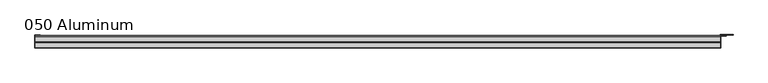
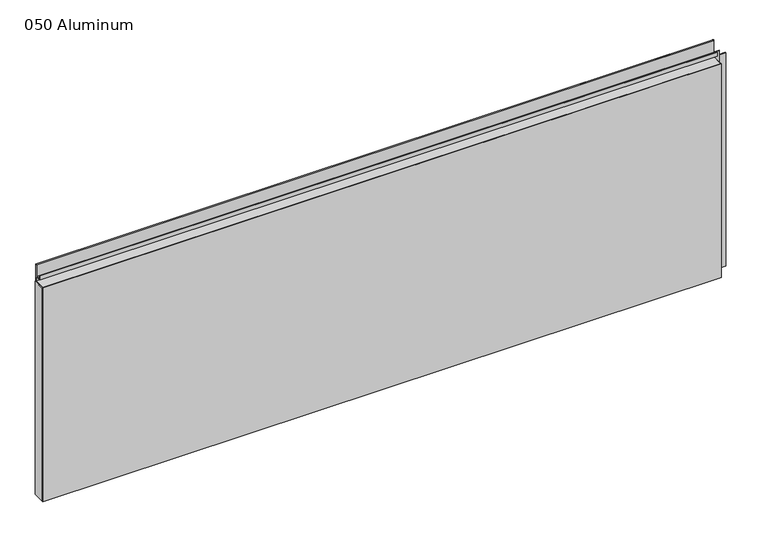
"""IFC4 building model written with IfcOpenShell, lengths in millimetres: plate geometry, 050 Aluminum."""

import ifcopenshell
import ifcopenshell.guid

model = None  # the IFC model being written
_history = None  # IfcOwnerHistory: only IFC2X3 demands one
_inside = {}  # id of a spatial element -> (the spatial element, [elements in it])
_under = {}  # id of a project, library or spatial element -> (it, [spatial elements below it])
_declared = {}  # id of a project -> (the project, [libraries it declares])
_typed = {}  # id of a type object -> (the type object, [elements of that type])
_made_of = {}  # id of a material, layer set ... -> (it, [elements and type objects made of it])


def new_model(schema):
    """Start an empty IFC model of exactly this schema.

    Asked for "IFC4X3", IfcOpenShell would pick the latest addendum, in which some entities
    have other attributes; the version numbers below select the first issue.
    IFC2X3 requires an IfcOwnerHistory on every rooted entity: one is made here for all.
    """
    global model, _history
    if schema == "IFC4X3":
        model = ifcopenshell.file(schema_version=(4, 3, 0, 0))
    else:
        model = ifcopenshell.file(schema=schema)
    _inside.clear()
    _under.clear()
    _declared.clear()
    _typed.clear()
    _made_of.clear()
    _history = None
    if model.schema == "IFC2X3":
        org = make("IfcOrganization", Name="unknown")
        user = make(
            "IfcPersonAndOrganization",
            ThePerson=make("IfcPerson", FamilyName="unknown"),
            TheOrganization=org,
        )
        app = make(
            "IfcApplication",
            ApplicationDeveloper=org,
            Version="unknown",
            ApplicationFullName="unknown",
            ApplicationIdentifier="unknown",
        )
        _history = make(
            "IfcOwnerHistory",
            OwningUser=user,
            OwningApplication=app,
            ChangeAction="ADDED",
            CreationDate=0,
        )
    return model


def make(cls, **values):
    """One entity of the class cls with the attributes given. An attribute that is None is left unset."""
    return model.create_entity(
        cls, **{name: value for name, value in values.items() if value is not None}
    )


def rooted(cls, **values):
    """An entity with a GlobalId (a new one), such as an element, a storey or a relation."""
    return make(cls, GlobalId=ifcopenshell.guid.new(), OwnerHistory=_history, **values)


def si_unit(unit_type, name, prefix=None):
    """IfcSIUnit, for example si_unit("LENGTHUNIT", "METRE", prefix="MILLI")."""
    return make("IfcSIUnit", UnitType=unit_type, Prefix=prefix, Name=name)


def assignment(units):
    """IfcUnitAssignment: the units of a project."""
    return None if units is None else make("IfcUnitAssignment", Units=units)


def point(xyz):
    """IfcCartesianPoint."""
    return None if xyz is None else make("IfcCartesianPoint", Coordinates=xyz)


def direction(xyz):
    """IfcDirection."""
    return None if xyz is None else make("IfcDirection", DirectionRatios=xyz)


def frame(location, z_axis=None, x_axis=None):
    """IfcAxis2Placement3D, a coordinate frame: its origin and axes. An axis left out is left unset."""
    return make(
        "IfcAxis2Placement3D",
        Location=point(location),
        Axis=direction(z_axis),
        RefDirection=direction(x_axis),
    )


def frame_2d(location, x_axis=None):
    """IfcAxis2Placement2D, a coordinate frame in the plane: its origin and x axis."""
    return make(
        "IfcAxis2Placement2D", Location=point(location), RefDirection=direction(x_axis)
    )


def origin():
    """The frame at (0, 0, 0) with its axes left unset."""
    return frame((0.0, 0.0, 0.0))


def origin_with_axes():
    """The frame at (0, 0, 0) with the z axis (0, 0, 1) and the x axis (1, 0, 0) written out."""
    return frame((0.0, 0.0, 0.0), z_axis=(0.0, 0.0, 1.0), x_axis=(1.0, 0.0, 0.0))


def place(relative_to, where):
    """IfcLocalPlacement: puts the frame where relative to a parent placement (None: the world)."""
    return make(
        "IfcLocalPlacement", PlacementRelTo=relative_to, RelativePlacement=where
    )


def context(
    kind, dimensions, precision=None, world=None, true_north=None, identifier=None
):
    """IfcGeometricRepresentationContext, for example the 3D "Model" context."""
    return make(
        "IfcGeometricRepresentationContext",
        ContextIdentifier=identifier,
        ContextType=kind,
        CoordinateSpaceDimension=dimensions,
        Precision=precision,
        WorldCoordinateSystem=world,
        TrueNorth=true_north,
    )


def project(units=None, contexts=None):
    """IfcProject with its units and contexts."""
    return rooted(
        "IfcProject",
        Name="project",
        RepresentationContexts=contexts,
        UnitsInContext=assignment(units),
    )


def spatial(cls, under=None, at=None, **own):
    """A site, building, storey or space (cls), placed at a placement, below another one or the project."""
    s = rooted(cls, ObjectPlacement=at, **own)
    if under is not None:
        _under.setdefault(under.id(), (under, []))[1].append(s)
    return s


def polyline(points):
    """IfcPolyline through the points."""
    return make("IfcPolyline", Points=[point(p) for p in points])


def circle_curve(where, radius):
    """IfcCircle in the frame where."""
    return make("IfcCircle", Position=where, Radius=radius)


def trimmed(basis, trim1, trim2, sense, master):
    """IfcTrimmedCurve: the piece of a basis curve between two trims."""
    return make(
        "IfcTrimmedCurve",
        BasisCurve=basis,
        Trim1=trim1,
        Trim2=trim2,
        SenseAgreement=sense,
        MasterRepresentation=master,
    )


def segment(curve, same_sense, transition):
    """IfcCompositeCurveSegment."""
    return make(
        "IfcCompositeCurveSegment",
        Transition=transition,
        SameSense=same_sense,
        ParentCurve=curve,
    )


def composite_curve(segments, self_intersect=None):
    """IfcCompositeCurve: segments joined end to end."""
    return make("IfcCompositeCurve", Segments=segments, SelfIntersect=self_intersect)


def outline(outer, holes=None, kind="AREA"):
    """IfcArbitraryClosedProfileDef: a profile drawn as a closed curve; with holes, ...WithVoids."""
    if holes is None:
        return make("IfcArbitraryClosedProfileDef", ProfileType=kind, OuterCurve=outer)
    return make(
        "IfcArbitraryProfileDefWithVoids",
        ProfileType=kind,
        OuterCurve=outer,
        InnerCurves=holes,
    )


def extrude(swept, where, along, depth):
    """IfcExtrudedAreaSolid: the profile swept, set in the frame where, extruded along a direction by depth."""
    return make(
        "IfcExtrudedAreaSolid",
        SweptArea=swept,
        Position=where,
        ExtrudedDirection=direction(along),
        Depth=depth,
    )


def shape(context_of_items, identifier, shape_type, items):
    """IfcShapeRepresentation: the items that make up one representation, for example the "Body"."""
    return make(
        "IfcShapeRepresentation",
        ContextOfItems=context_of_items,
        RepresentationIdentifier=identifier,
        RepresentationType=shape_type,
        Items=items,
    )


def source(mapping_origin, context_of_items, identifier, shape_type, items):
    """IfcRepresentationMap: a shape defined once, which mapped items show again and again."""
    return make(
        "IfcRepresentationMap",
        MappingOrigin=mapping_origin,
        MappedRepresentation=shape(context_of_items, identifier, shape_type, items),
    )


def transform(
    local_origin,
    x_axis=None,
    y_axis=None,
    z_axis=None,
    scale=None,
    scale2=None,
    scale3=None,
    uniform=True,
):
    """IfcCartesianTransformationOperator3D, or its non-uniform kind. x_axis, y_axis, z_axis: its Axis1, 2, 3."""
    if uniform:
        return make(
            "IfcCartesianTransformationOperator3D",
            Axis1=direction(x_axis),
            Axis2=direction(y_axis),
            LocalOrigin=point(local_origin),
            Scale=scale,
            Axis3=direction(z_axis),
        )
    return make(
        "IfcCartesianTransformationOperator3DnonUniform",
        Axis1=direction(x_axis),
        Axis2=direction(y_axis),
        LocalOrigin=point(local_origin),
        Scale=scale,
        Axis3=direction(z_axis),
        Scale2=scale2,
        Scale3=scale3,
    )


def mapped(mapping_source, mapping_target):
    """IfcMappedItem: shows the shape of a source again, moved by a transform."""
    return make(
        "IfcMappedItem", MappingSource=mapping_source, MappingTarget=mapping_target
    )


def made_of(thing, what):
    """Note that an element or type object is made of a material, layer set ...; save() writes the relation."""
    if what is not None:
        _made_of.setdefault(what.id(), (what, []))[1].append(thing)
    return thing


def element(
    cls,
    number,
    at=None,
    inside=None,
    cuts=None,
    type_object=None,
    material=None,
    context=None,
    identifier="Body",
    shape_type=None,
    held_by="IfcProductDefinitionShape",
    body=None,
    shapes=None,
    **own,
):
    """One element of the class cls, such as IfcWall. Its Tag is "e" and its number.

    at: its placement. inside: the storey or other place that contains it. cuts: it is an
    opening in that element (IfcRelVoidsElement). A single representation is given by context,
    identifier, shape_type and body (its items); several are given by shapes. held_by: the class
    of the entity that holds the representations. save() writes the other relations.
    """
    e = rooted(cls, Tag="e%d" % number, ObjectPlacement=at, **own)
    if body is not None:
        shapes = [shape(context, identifier, shape_type, body)]
    if shapes is not None:
        e.Representation = make(held_by, Representations=shapes)
    if inside is not None:
        _inside.setdefault(inside.id(), (inside, []))[1].append(e)
    if cuts is not None:
        rooted(
            "IfcRelVoidsElement", RelatingBuildingElement=cuts, RelatedOpeningElement=e
        )
    if type_object is not None:
        _typed.setdefault(type_object.id(), (type_object, []))[1].append(e)
    return made_of(e, material)


def aggregate(whole, parts):
    """IfcRelAggregates: a whole, such as a stair, and the parts it consists of."""
    return rooted("IfcRelAggregates", RelatingObject=whole, RelatedObjects=parts)


def save(model, path):
    """Write the relations noted so far, then the file.

    IfcRelAggregates (storeys below a building ...), IfcRelContainedInSpatialStructure (elements
    in a storey), IfcRelDefinesByType, IfcRelAssociatesMaterial and IfcRelDeclares: one each for
    every whole, place, type object, material and project.
    """
    for whole, parts in _under.values():
        aggregate(whole, parts)
    for where, things in _inside.values():
        rooted(
            "IfcRelContainedInSpatialStructure",
            RelatedElements=things,
            RelatingStructure=where,
        )
    for kind, things in _typed.values():
        rooted("IfcRelDefinesByType", RelatedObjects=things, RelatingType=kind)
    for what, things in _made_of.values():
        rooted("IfcRelAssociatesMaterial", RelatedObjects=things, RelatingMaterial=what)
    for by, libraries in _declared.values():
        rooted("IfcRelDeclares", RelatingContext=by, RelatedDefinitions=libraries)
    model.write(path)


def plate_050_aluminum_a69ae8a3(model_context):
    return source(origin(), model_context, "Body", "SweptSolid", [
        extrude(outline(polyline([(-919.4799998, -2.5660257), (-919.4799998, -34.7980001), (-920.7499998, -34.7980001), (-920.7499998, -1.2699999), (-906.5894993, -1.2699999), (-906.5894993, -2.5660257), (-919.4799998, -2.5660257)])), origin_with_axes(), (0.0, 0.0, 1.0), 608.33),
        extrude(outline(composite_curve([segment(polyline([(-2.0574743, 656.7932001), (-2.0574743, 608.33), (-34.7980002, 608.33), (-34.7980002, 609.6000001), (-3.3274743, 609.6000001), (-3.3274743, 656.7932001)]), True, "CONTINUOUS"), segment(trimmed(circle_curve(frame_2d((-3.7084742, 656.7932001)), 0.3809999), [point((-3.3274743, 656.7932001))], [point((-4.0894742, 656.7932001))], True, "CARTESIAN"), True, "CONTINUOUS"), segment(polyline([(-4.0894742, 656.7932001), (-4.0894742, 622.3), (-20.4864742, 622.3), (-20.4864742, 633.6538), (-19.2164743, 633.6538), (-19.2164743, 623.57), (-5.3594742, 623.57), (-5.3594742, 656.7932001)]), True, "CONTINUOUS"), segment(trimmed(circle_curve(frame_2d((-3.7084742, 656.7932001)), 1.6509999), [point((-5.3594742, 656.7932001))], [point((-2.0574743, 656.7932001))], False, "CARTESIAN"), True, "CONTINUOUS")], self_intersect=False)), frame((-919.4799998, 0.0, 0.0), z_axis=(1.0, 0.0, 0.0), x_axis=(0.0, 1.0, 0.0)), (0.0, 0.0, 1.0), 1826.2599997),
        extrude(outline(polyline([(-920.7499998, -36.068), (-920.7499998, -34.7980001), (908.0499998, -34.7980001), (908.0499998, -36.068), (-920.7499998, -36.068)])), origin_with_axes(), (0.0, 0.0, 1.0), 609.6),
        extrude(outline(polyline([(908.0499998, -1.2699999), (908.0499998, -34.7980002), (906.7799999, -34.7980002), (906.7799999, 0.0), (940.5620855, 0.0), (940.5620855, -1.2699999), (908.0499998, -1.2699999)])), origin_with_axes(), (0.0, 0.0, 1.0), 608.33),
        extrude(outline(polyline([(906.7799998, -3.3274743), (906.7799998, -2.0574743), (922.5279998, -2.0574743), (922.5279998, -3.3274743), (906.7799998, -3.3274743)])), origin_with_axes(), (0.0, 0.0, 1.0), 622.3),
    ])


if __name__ == "__main__":
    model = new_model("IFC4")
    model_context = context("Model", 3, world=origin())
    ifc_project = project(units=[si_unit("LENGTHUNIT", "METRE", prefix="MILLI")], contexts=[model_context])
    site = spatial("IfcSite", under=ifc_project)
    building = spatial("IfcBuilding", under=site)
    placement = place(None, origin())
    plate_050_aluminum_shape = plate_050_aluminum_a69ae8a3(model_context)
    element("IfcPlate", 1, ObjectType="050 Aluminum", at=placement, inside=building, context=model_context, shape_type="MappedRepresentation", body=[
        mapped(plate_050_aluminum_shape, transform((0.0, 0.0, 0.0), x_axis=(1.0, 0.0, 0.0), y_axis=(0.0, 1.0, 0.0), z_axis=(0.0, 0.0, 1.0))),
    ])
    save(model, "model.ifc")
